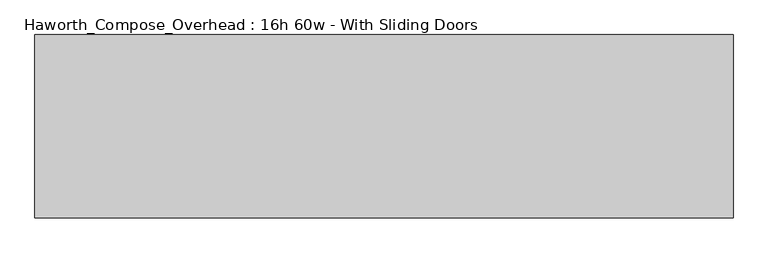
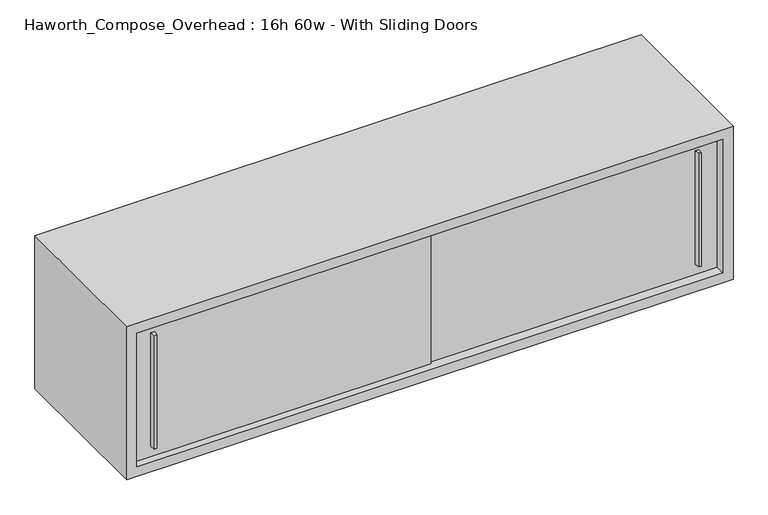
"""IFC4 building model written with IfcOpenShell, lengths in millimetres: furniture geometry, Haworth_Compose_Overhead : 16h 60w - With Sliding Doors."""

import ifcopenshell
import ifcopenshell.guid

model = None  # the IFC model being written
_history = None  # IfcOwnerHistory: only IFC2X3 demands one
_inside = {}  # id of a spatial element -> (the spatial element, [elements in it])
_under = {}  # id of a project, library or spatial element -> (it, [spatial elements below it])
_declared = {}  # id of a project -> (the project, [libraries it declares])
_typed = {}  # id of a type object -> (the type object, [elements of that type])
_made_of = {}  # id of a material, layer set ... -> (it, [elements and type objects made of it])


def new_model(schema):
    """Start an empty IFC model of exactly this schema.

    Asked for "IFC4X3", IfcOpenShell would pick the latest addendum, in which some entities
    have other attributes; the version numbers below select the first issue.
    IFC2X3 requires an IfcOwnerHistory on every rooted entity: one is made here for all.
    """
    global model, _history
    if schema == "IFC4X3":
        model = ifcopenshell.file(schema_version=(4, 3, 0, 0))
    else:
        model = ifcopenshell.file(schema=schema)
    _inside.clear()
    _under.clear()
    _declared.clear()
    _typed.clear()
    _made_of.clear()
    _history = None
    if model.schema == "IFC2X3":
        org = make("IfcOrganization", Name="unknown")
        user = make(
            "IfcPersonAndOrganization",
            ThePerson=make("IfcPerson", FamilyName="unknown"),
            TheOrganization=org,
        )
        app = make(
            "IfcApplication",
            ApplicationDeveloper=org,
            Version="unknown",
            ApplicationFullName="unknown",
            ApplicationIdentifier="unknown",
        )
        _history = make(
            "IfcOwnerHistory",
            OwningUser=user,
            OwningApplication=app,
            ChangeAction="ADDED",
            CreationDate=0,
        )
    return model


def make(cls, **values):
    """One entity of the class cls with the attributes given. An attribute that is None is left unset."""
    return model.create_entity(
        cls, **{name: value for name, value in values.items() if value is not None}
    )


def rooted(cls, **values):
    """An entity with a GlobalId (a new one), such as an element, a storey or a relation."""
    return make(cls, GlobalId=ifcopenshell.guid.new(), OwnerHistory=_history, **values)


def si_unit(unit_type, name, prefix=None):
    """IfcSIUnit, for example si_unit("LENGTHUNIT", "METRE", prefix="MILLI")."""
    return make("IfcSIUnit", UnitType=unit_type, Prefix=prefix, Name=name)


def assignment(units):
    """IfcUnitAssignment: the units of a project."""
    return None if units is None else make("IfcUnitAssignment", Units=units)


def point(xyz):
    """IfcCartesianPoint."""
    return None if xyz is None else make("IfcCartesianPoint", Coordinates=xyz)


def direction(xyz):
    """IfcDirection."""
    return None if xyz is None else make("IfcDirection", DirectionRatios=xyz)


def frame(location, z_axis=None, x_axis=None):
    """IfcAxis2Placement3D, a coordinate frame: its origin and axes. An axis left out is left unset."""
    return make(
        "IfcAxis2Placement3D",
        Location=point(location),
        Axis=direction(z_axis),
        RefDirection=direction(x_axis),
    )


def origin():
    """The frame at (0, 0, 0) with its axes left unset."""
    return frame((0.0, 0.0, 0.0))


def place(relative_to, where):
    """IfcLocalPlacement: puts the frame where relative to a parent placement (None: the world)."""
    return make(
        "IfcLocalPlacement", PlacementRelTo=relative_to, RelativePlacement=where
    )


def context(
    kind, dimensions, precision=None, world=None, true_north=None, identifier=None
):
    """IfcGeometricRepresentationContext, for example the 3D "Model" context."""
    return make(
        "IfcGeometricRepresentationContext",
        ContextIdentifier=identifier,
        ContextType=kind,
        CoordinateSpaceDimension=dimensions,
        Precision=precision,
        WorldCoordinateSystem=world,
        TrueNorth=true_north,
    )


def project(units=None, contexts=None):
    """IfcProject with its units and contexts."""
    return rooted(
        "IfcProject",
        Name="project",
        RepresentationContexts=contexts,
        UnitsInContext=assignment(units),
    )


def spatial(cls, under=None, at=None, **own):
    """A site, building, storey or space (cls), placed at a placement, below another one or the project."""
    s = rooted(cls, ObjectPlacement=at, **own)
    if under is not None:
        _under.setdefault(under.id(), (under, []))[1].append(s)
    return s


def polyline(points):
    """IfcPolyline through the points."""
    return make("IfcPolyline", Points=[point(p) for p in points])


def outline(outer, holes=None, kind="AREA"):
    """IfcArbitraryClosedProfileDef: a profile drawn as a closed curve; with holes, ...WithVoids."""
    if holes is None:
        return make("IfcArbitraryClosedProfileDef", ProfileType=kind, OuterCurve=outer)
    return make(
        "IfcArbitraryProfileDefWithVoids",
        ProfileType=kind,
        OuterCurve=outer,
        InnerCurves=holes,
    )


def extrude(swept, where, along, depth):
    """IfcExtrudedAreaSolid: the profile swept, set in the frame where, extruded along a direction by depth."""
    return make(
        "IfcExtrudedAreaSolid",
        SweptArea=swept,
        Position=where,
        ExtrudedDirection=direction(along),
        Depth=depth,
    )


def shape(context_of_items, identifier, shape_type, items):
    """IfcShapeRepresentation: the items that make up one representation, for example the "Body"."""
    return make(
        "IfcShapeRepresentation",
        ContextOfItems=context_of_items,
        RepresentationIdentifier=identifier,
        RepresentationType=shape_type,
        Items=items,
    )


def source(mapping_origin, context_of_items, identifier, shape_type, items):
    """IfcRepresentationMap: a shape defined once, which mapped items show again and again."""
    return make(
        "IfcRepresentationMap",
        MappingOrigin=mapping_origin,
        MappedRepresentation=shape(context_of_items, identifier, shape_type, items),
    )


def transform(
    local_origin,
    x_axis=None,
    y_axis=None,
    z_axis=None,
    scale=None,
    scale2=None,
    scale3=None,
    uniform=True,
):
    """IfcCartesianTransformationOperator3D, or its non-uniform kind. x_axis, y_axis, z_axis: its Axis1, 2, 3."""
    if uniform:
        return make(
            "IfcCartesianTransformationOperator3D",
            Axis1=direction(x_axis),
            Axis2=direction(y_axis),
            LocalOrigin=point(local_origin),
            Scale=scale,
            Axis3=direction(z_axis),
        )
    return make(
        "IfcCartesianTransformationOperator3DnonUniform",
        Axis1=direction(x_axis),
        Axis2=direction(y_axis),
        LocalOrigin=point(local_origin),
        Scale=scale,
        Axis3=direction(z_axis),
        Scale2=scale2,
        Scale3=scale3,
    )


def mapped(mapping_source, mapping_target):
    """IfcMappedItem: shows the shape of a source again, moved by a transform."""
    return make(
        "IfcMappedItem", MappingSource=mapping_source, MappingTarget=mapping_target
    )


def made_of(thing, what):
    """Note that an element or type object is made of a material, layer set ...; save() writes the relation."""
    if what is not None:
        _made_of.setdefault(what.id(), (what, []))[1].append(thing)
    return thing


def element(
    cls,
    number,
    at=None,
    inside=None,
    cuts=None,
    type_object=None,
    material=None,
    context=None,
    identifier="Body",
    shape_type=None,
    held_by="IfcProductDefinitionShape",
    body=None,
    shapes=None,
    **own,
):
    """One element of the class cls, such as IfcWall. Its Tag is "e" and its number.

    at: its placement. inside: the storey or other place that contains it. cuts: it is an
    opening in that element (IfcRelVoidsElement). A single representation is given by context,
    identifier, shape_type and body (its items); several are given by shapes. held_by: the class
    of the entity that holds the representations. save() writes the other relations.
    """
    e = rooted(cls, Tag="e%d" % number, ObjectPlacement=at, **own)
    if body is not None:
        shapes = [shape(context, identifier, shape_type, body)]
    if shapes is not None:
        e.Representation = make(held_by, Representations=shapes)
    if inside is not None:
        _inside.setdefault(inside.id(), (inside, []))[1].append(e)
    if cuts is not None:
        rooted(
            "IfcRelVoidsElement", RelatingBuildingElement=cuts, RelatedOpeningElement=e
        )
    if type_object is not None:
        _typed.setdefault(type_object.id(), (type_object, []))[1].append(e)
    return made_of(e, material)


def aggregate(whole, parts):
    """IfcRelAggregates: a whole, such as a stair, and the parts it consists of."""
    return rooted("IfcRelAggregates", RelatingObject=whole, RelatedObjects=parts)


def save(model, path):
    """Write the relations noted so far, then the file.

    IfcRelAggregates (storeys below a building ...), IfcRelContainedInSpatialStructure (elements
    in a storey), IfcRelDefinesByType, IfcRelAssociatesMaterial and IfcRelDeclares: one each for
    every whole, place, type object, material and project.
    """
    for whole, parts in _under.values():
        aggregate(whole, parts)
    for where, things in _inside.values():
        rooted(
            "IfcRelContainedInSpatialStructure",
            RelatedElements=things,
            RelatingStructure=where,
        )
    for kind, things in _typed.values():
        rooted("IfcRelDefinesByType", RelatedObjects=things, RelatingType=kind)
    for what, things in _made_of.values():
        rooted("IfcRelAssociatesMaterial", RelatedObjects=things, RelatingMaterial=what)
    for by, libraries in _declared.values():
        rooted("IfcRelDeclares", RelatingContext=by, RelatedDefinitions=libraries)
    model.write(path)


def haworth_compose_overhead_16h_60w_with_sliding_doors_3844c655(model_context):
    return source(origin(), model_context, "Body", "SweptSolid", [
        extrude(outline(polyline([(854.0750004, -387.3499879), (847.7249996, -387.3499879), (846.1375011, -374.65), (855.6624989, -374.65), (854.0750004, -387.3499879)])), frame((0.0, 0.0, 1322.3875), z_axis=(0.0, 0.0, 1.0), x_axis=(1.0, 0.0, 0.0)), (0.0, 0.0, 1.0), 301.625),
        extrude(outline(polyline([(-517.5249996, -393.6999879), (-523.8750004, -393.6999879), (-525.4624989, -381.0), (-515.9375011, -381.0), (-517.5249996, -393.6999879)])), frame((0.0, 0.0, 1322.3875), z_axis=(0.0, 0.0, 1.0), x_axis=(1.0, 0.0, 0.0)), (0.0, 0.0, 1.0), 301.625),
        extrude(outline(polyline([(-571.5, -374.65), (177.8, -374.65), (177.8, -381.0), (-571.5, -381.0), (-571.5, -374.65)])), frame((0.0, 0.0, 1295.4), z_axis=(0.0, 0.0, 1.0), x_axis=(1.0, 0.0, 0.0)), (0.0, 0.0, 1.0), 355.6),
        extrude(outline(polyline([(152.4, -368.3), (901.7, -368.3), (901.7, -374.65), (152.4, -374.65), (152.4, -368.3)])), frame((0.0, 0.0, 1295.4), z_axis=(0.0, 0.0, 1.0), x_axis=(1.0, 0.0, 0.0)), (0.0, 0.0, 1.0), 355.6),
        extrude(outline(polyline([(901.7, -6.35), (-571.5, -6.35), (-571.5, 0.0), (901.7, 0.0), (901.7, -6.35)])), frame((0.0, 0.0, 1295.4), z_axis=(0.0, 0.0, 1.0), x_axis=(1.0, 0.0, 0.0)), (0.0, 0.0, 1.0), 355.6),
        extrude(outline(polyline([(1270.0, 927.1), (1676.4, 927.1), (1676.4, -596.9), (1270.0, -596.9), (1270.0, 927.1)]), holes=[polyline([(1651.0, 901.7), (1295.4, 901.7), (1295.4, -571.5), (1651.0, -571.5), (1651.0, 901.7)])]), frame((0.0, -400.05, 0.0), z_axis=(0.0, 1.0, 0.0), x_axis=(0.0, 0.0, 1.0)), (0.0, 0.0, 1.0), 400.05),
    ])


if __name__ == "__main__":
    model = new_model("IFC4")
    model_context = context("Model", 3, world=origin())
    ifc_project = project(units=[si_unit("LENGTHUNIT", "METRE", prefix="MILLI")], contexts=[model_context])
    site = spatial("IfcSite", under=ifc_project)
    building = spatial("IfcBuilding", under=site)
    placement = place(None, origin())
    haworth_compose_overhead_16h_60w_with_sliding_doors_shape = haworth_compose_overhead_16h_60w_with_sliding_doors_3844c655(model_context)
    element("IfcFurniture", 1, ObjectType="Haworth_Compose_Overhead : 16h 60w - With Sliding Doors", at=placement, inside=building, context=model_context, shape_type="MappedRepresentation", body=[
        mapped(haworth_compose_overhead_16h_60w_with_sliding_doors_shape, transform((0.0, 0.0, 0.0), x_axis=(1.0, 0.0, 0.0), y_axis=(0.0, 1.0, 0.0), z_axis=(0.0, 0.0, 1.0))),
    ])
    save(model, "model.ifc")
